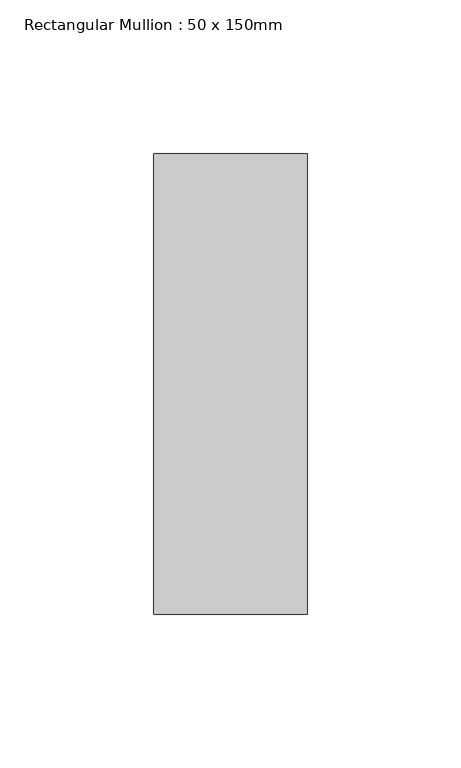
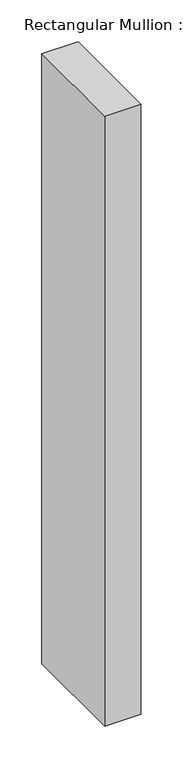
"""IFC4 building model written with IfcOpenShell, lengths in millimetres: member geometry, Rectangular Mullion : 50 x 150mm."""

from ifc_helpers import new_model, si_unit, frame, origin, place, context, project, spatial, polyline, outline, extrude, source, transform, mapped, element, save


def rectangular_mullion_50_x_150mm_2503cc91(model_context):
    return source(origin(), model_context, "Body", "SweptSolid", [
        extrude(outline(polyline([(0.0, 75.0), (0.0, -75.0), (-50.0, -75.0), (-50.0, 75.0), (0.0, 75.0)])), frame((0.0, 0.0, -890.6062619), z_axis=(0.0, 0.0, 1.0), x_axis=(1.0, 0.0, 0.0)), (0.0, 0.0, 1.0), 890.6062619),
    ])


if __name__ == "__main__":
    model = new_model("IFC4")
    model_context = context("Model", 3, world=origin())
    ifc_project = project(units=[si_unit("LENGTHUNIT", "METRE", prefix="MILLI")], contexts=[model_context])
    site = spatial("IfcSite", under=ifc_project)
    building = spatial("IfcBuilding", under=site)
    placement = place(None, origin())
    rectangular_mullion_50_x_150mm_shape = rectangular_mullion_50_x_150mm_2503cc91(model_context)
    element("IfcMember", 1, ObjectType="Rectangular Mullion : 50 x 150mm", at=placement, inside=building, context=model_context, shape_type="MappedRepresentation", body=[
        mapped(rectangular_mullion_50_x_150mm_shape, transform((0.0, 0.0, 0.0), x_axis=(1.0, 0.0, 0.0), y_axis=(0.0, 1.0, 0.0), z_axis=(0.0, 0.0, 1.0))),
    ])
    save(model, "model.ifc")
